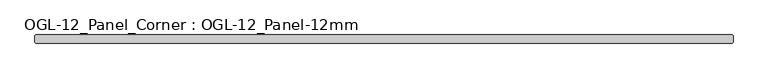
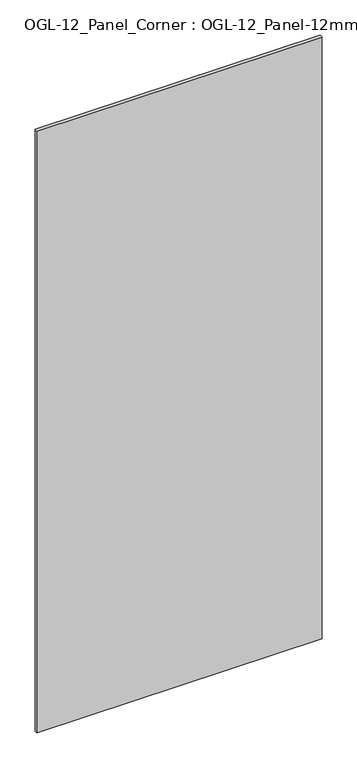
"""IFC4 building model written with IfcOpenShell, lengths in millimetres: plate geometry, OGL-12_Panel_Corner : OGL-12_Panel-12mm."""

from ifc_helpers import new_model, si_unit, origin, origin_with_axes, place, context, project, spatial, polyline, outline, extrude, source, transform, mapped, element, save


def ogl_12_panel_corner_ogl_12_panel_12mm_9212464b(model_context):
    return source(origin(), model_context, "Body", "SweptSolid", [
        extrude(outline(polyline([(523.658102, 6.35), (525.245602, 4.7625), (525.245602, -4.7625), (523.658102, -6.35), (-523.658102, -6.35), (-525.245602, -4.7625), (-525.245602, 4.7625), (-523.658102, 6.35), (523.658102, 6.35)])), origin_with_axes(), (0.0, 0.0, 1.0), 2339.9738578),
    ])


if __name__ == "__main__":
    model = new_model("IFC4")
    model_context = context("Model", 3, world=origin())
    ifc_project = project(units=[si_unit("LENGTHUNIT", "METRE", prefix="MILLI")], contexts=[model_context])
    site = spatial("IfcSite", under=ifc_project)
    building = spatial("IfcBuilding", under=site)
    placement = place(None, origin())
    ogl_12_panel_corner_ogl_12_panel_12mm_shape = ogl_12_panel_corner_ogl_12_panel_12mm_9212464b(model_context)
    element("IfcPlate", 1, ObjectType="OGL-12_Panel_Corner : OGL-12_Panel-12mm", at=placement, inside=building, context=model_context, shape_type="MappedRepresentation", body=[
        mapped(ogl_12_panel_corner_ogl_12_panel_12mm_shape, transform((0.0, 0.0, 0.0), x_axis=(1.0, 0.0, 0.0), y_axis=(0.0, 1.0, 0.0), z_axis=(0.0, 0.0, 1.0))),
    ])
    save(model, "model.ifc")
